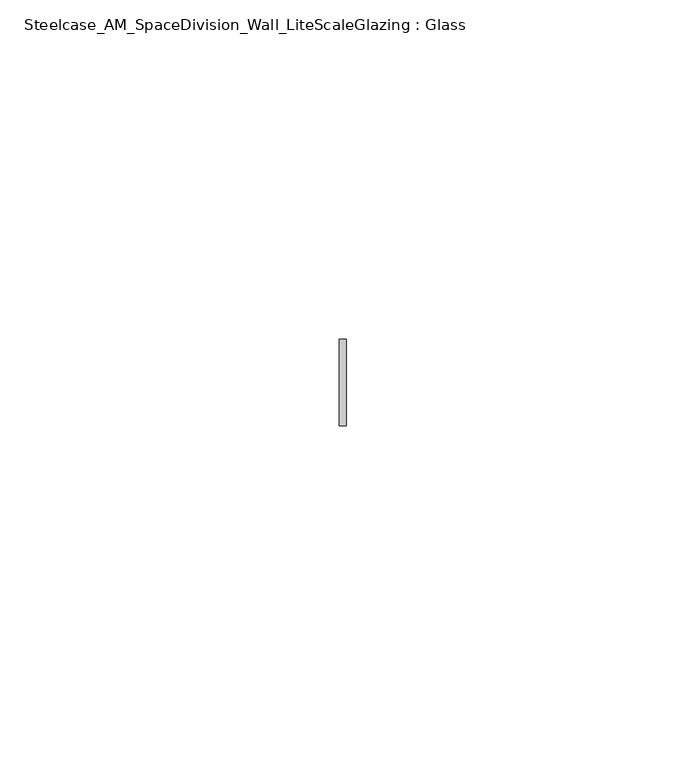
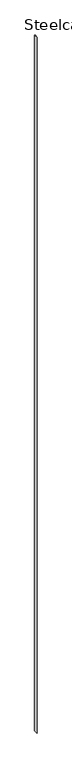
"""IFC4 building model written with IfcOpenShell, lengths in millimetres: plate geometry, Steelcase_AM_SpaceDivision_Wall_LiteScaleGlazing : Glass."""

import ifcopenshell
import ifcopenshell.guid

model = None  # the IFC model being written
_history = None  # IfcOwnerHistory: only IFC2X3 demands one
_inside = {}  # id of a spatial element -> (the spatial element, [elements in it])
_under = {}  # id of a project, library or spatial element -> (it, [spatial elements below it])
_declared = {}  # id of a project -> (the project, [libraries it declares])
_typed = {}  # id of a type object -> (the type object, [elements of that type])
_made_of = {}  # id of a material, layer set ... -> (it, [elements and type objects made of it])


def new_model(schema):
    """Start an empty IFC model of exactly this schema.

    Asked for "IFC4X3", IfcOpenShell would pick the latest addendum, in which some entities
    have other attributes; the version numbers below select the first issue.
    IFC2X3 requires an IfcOwnerHistory on every rooted entity: one is made here for all.
    """
    global model, _history
    if schema == "IFC4X3":
        model = ifcopenshell.file(schema_version=(4, 3, 0, 0))
    else:
        model = ifcopenshell.file(schema=schema)
    _inside.clear()
    _under.clear()
    _declared.clear()
    _typed.clear()
    _made_of.clear()
    _history = None
    if model.schema == "IFC2X3":
        org = make("IfcOrganization", Name="unknown")
        user = make(
            "IfcPersonAndOrganization",
            ThePerson=make("IfcPerson", FamilyName="unknown"),
            TheOrganization=org,
        )
        app = make(
            "IfcApplication",
            ApplicationDeveloper=org,
            Version="unknown",
            ApplicationFullName="unknown",
            ApplicationIdentifier="unknown",
        )
        _history = make(
            "IfcOwnerHistory",
            OwningUser=user,
            OwningApplication=app,
            ChangeAction="ADDED",
            CreationDate=0,
        )
    return model


def make(cls, **values):
    """One entity of the class cls with the attributes given. An attribute that is None is left unset."""
    return model.create_entity(
        cls, **{name: value for name, value in values.items() if value is not None}
    )


def rooted(cls, **values):
    """An entity with a GlobalId (a new one), such as an element, a storey or a relation."""
    return make(cls, GlobalId=ifcopenshell.guid.new(), OwnerHistory=_history, **values)


def si_unit(unit_type, name, prefix=None):
    """IfcSIUnit, for example si_unit("LENGTHUNIT", "METRE", prefix="MILLI")."""
    return make("IfcSIUnit", UnitType=unit_type, Prefix=prefix, Name=name)


def assignment(units):
    """IfcUnitAssignment: the units of a project."""
    return None if units is None else make("IfcUnitAssignment", Units=units)


def point(xyz):
    """IfcCartesianPoint."""
    return None if xyz is None else make("IfcCartesianPoint", Coordinates=xyz)


def direction(xyz):
    """IfcDirection."""
    return None if xyz is None else make("IfcDirection", DirectionRatios=xyz)


def frame(location, z_axis=None, x_axis=None):
    """IfcAxis2Placement3D, a coordinate frame: its origin and axes. An axis left out is left unset."""
    return make(
        "IfcAxis2Placement3D",
        Location=point(location),
        Axis=direction(z_axis),
        RefDirection=direction(x_axis),
    )


def origin():
    """The frame at (0, 0, 0) with its axes left unset."""
    return frame((0.0, 0.0, 0.0))


def origin_with_axes():
    """The frame at (0, 0, 0) with the z axis (0, 0, 1) and the x axis (1, 0, 0) written out."""
    return frame((0.0, 0.0, 0.0), z_axis=(0.0, 0.0, 1.0), x_axis=(1.0, 0.0, 0.0))


def place(relative_to, where):
    """IfcLocalPlacement: puts the frame where relative to a parent placement (None: the world)."""
    return make(
        "IfcLocalPlacement", PlacementRelTo=relative_to, RelativePlacement=where
    )


def context(
    kind, dimensions, precision=None, world=None, true_north=None, identifier=None
):
    """IfcGeometricRepresentationContext, for example the 3D "Model" context."""
    return make(
        "IfcGeometricRepresentationContext",
        ContextIdentifier=identifier,
        ContextType=kind,
        CoordinateSpaceDimension=dimensions,
        Precision=precision,
        WorldCoordinateSystem=world,
        TrueNorth=true_north,
    )


def project(units=None, contexts=None):
    """IfcProject with its units and contexts."""
    return rooted(
        "IfcProject",
        Name="project",
        RepresentationContexts=contexts,
        UnitsInContext=assignment(units),
    )


def spatial(cls, under=None, at=None, **own):
    """A site, building, storey or space (cls), placed at a placement, below another one or the project."""
    s = rooted(cls, ObjectPlacement=at, **own)
    if under is not None:
        _under.setdefault(under.id(), (under, []))[1].append(s)
    return s


def polyline(points):
    """IfcPolyline through the points."""
    return make("IfcPolyline", Points=[point(p) for p in points])


def outline(outer, holes=None, kind="AREA"):
    """IfcArbitraryClosedProfileDef: a profile drawn as a closed curve; with holes, ...WithVoids."""
    if holes is None:
        return make("IfcArbitraryClosedProfileDef", ProfileType=kind, OuterCurve=outer)
    return make(
        "IfcArbitraryProfileDefWithVoids",
        ProfileType=kind,
        OuterCurve=outer,
        InnerCurves=holes,
    )


def extrude(swept, where, along, depth):
    """IfcExtrudedAreaSolid: the profile swept, set in the frame where, extruded along a direction by depth."""
    return make(
        "IfcExtrudedAreaSolid",
        SweptArea=swept,
        Position=where,
        ExtrudedDirection=direction(along),
        Depth=depth,
    )


def shape(context_of_items, identifier, shape_type, items):
    """IfcShapeRepresentation: the items that make up one representation, for example the "Body"."""
    return make(
        "IfcShapeRepresentation",
        ContextOfItems=context_of_items,
        RepresentationIdentifier=identifier,
        RepresentationType=shape_type,
        Items=items,
    )


def source(mapping_origin, context_of_items, identifier, shape_type, items):
    """IfcRepresentationMap: a shape defined once, which mapped items show again and again."""
    return make(
        "IfcRepresentationMap",
        MappingOrigin=mapping_origin,
        MappedRepresentation=shape(context_of_items, identifier, shape_type, items),
    )


def transform(
    local_origin,
    x_axis=None,
    y_axis=None,
    z_axis=None,
    scale=None,
    scale2=None,
    scale3=None,
    uniform=True,
):
    """IfcCartesianTransformationOperator3D, or its non-uniform kind. x_axis, y_axis, z_axis: its Axis1, 2, 3."""
    if uniform:
        return make(
            "IfcCartesianTransformationOperator3D",
            Axis1=direction(x_axis),
            Axis2=direction(y_axis),
            LocalOrigin=point(local_origin),
            Scale=scale,
            Axis3=direction(z_axis),
        )
    return make(
        "IfcCartesianTransformationOperator3DnonUniform",
        Axis1=direction(x_axis),
        Axis2=direction(y_axis),
        LocalOrigin=point(local_origin),
        Scale=scale,
        Axis3=direction(z_axis),
        Scale2=scale2,
        Scale3=scale3,
    )


def mapped(mapping_source, mapping_target):
    """IfcMappedItem: shows the shape of a source again, moved by a transform."""
    return make(
        "IfcMappedItem", MappingSource=mapping_source, MappingTarget=mapping_target
    )


def made_of(thing, what):
    """Note that an element or type object is made of a material, layer set ...; save() writes the relation."""
    if what is not None:
        _made_of.setdefault(what.id(), (what, []))[1].append(thing)
    return thing


def element(
    cls,
    number,
    at=None,
    inside=None,
    cuts=None,
    type_object=None,
    material=None,
    context=None,
    identifier="Body",
    shape_type=None,
    held_by="IfcProductDefinitionShape",
    body=None,
    shapes=None,
    **own,
):
    """One element of the class cls, such as IfcWall. Its Tag is "e" and its number.

    at: its placement. inside: the storey or other place that contains it. cuts: it is an
    opening in that element (IfcRelVoidsElement). A single representation is given by context,
    identifier, shape_type and body (its items); several are given by shapes. held_by: the class
    of the entity that holds the representations. save() writes the other relations.
    """
    e = rooted(cls, Tag="e%d" % number, ObjectPlacement=at, **own)
    if body is not None:
        shapes = [shape(context, identifier, shape_type, body)]
    if shapes is not None:
        e.Representation = make(held_by, Representations=shapes)
    if inside is not None:
        _inside.setdefault(inside.id(), (inside, []))[1].append(e)
    if cuts is not None:
        rooted(
            "IfcRelVoidsElement", RelatingBuildingElement=cuts, RelatedOpeningElement=e
        )
    if type_object is not None:
        _typed.setdefault(type_object.id(), (type_object, []))[1].append(e)
    return made_of(e, material)


def aggregate(whole, parts):
    """IfcRelAggregates: a whole, such as a stair, and the parts it consists of."""
    return rooted("IfcRelAggregates", RelatingObject=whole, RelatedObjects=parts)


def save(model, path):
    """Write the relations noted so far, then the file.

    IfcRelAggregates (storeys below a building ...), IfcRelContainedInSpatialStructure (elements
    in a storey), IfcRelDefinesByType, IfcRelAssociatesMaterial and IfcRelDeclares: one each for
    every whole, place, type object, material and project.
    """
    for whole, parts in _under.values():
        aggregate(whole, parts)
    for where, things in _inside.values():
        rooted(
            "IfcRelContainedInSpatialStructure",
            RelatedElements=things,
            RelatingStructure=where,
        )
    for kind, things in _typed.values():
        rooted("IfcRelDefinesByType", RelatedObjects=things, RelatingType=kind)
    for what, things in _made_of.values():
        rooted("IfcRelAssociatesMaterial", RelatedObjects=things, RelatingMaterial=what)
    for by, libraries in _declared.values():
        rooted("IfcRelDeclares", RelatingContext=by, RelatedDefinitions=libraries)
    model.write(path)


def steelcase_am_spacedivision_wall_litescaleglazing_glass_d5abc5b5(model_context):
    return source(origin(), model_context, "Body", "SweptSolid", [
        extrude(outline(polyline([(-0.508, 6.349956), (0.508, 6.349956), (0.508, -6.3502015), (-0.508, -6.3502015), (-0.508, 6.349956)])), origin_with_axes(), (0.0, 0.0, 1.0), 2452.624),
    ])


if __name__ == "__main__":
    model = new_model("IFC4")
    model_context = context("Model", 3, world=origin())
    ifc_project = project(units=[si_unit("LENGTHUNIT", "METRE", prefix="MILLI")], contexts=[model_context])
    site = spatial("IfcSite", under=ifc_project)
    building = spatial("IfcBuilding", under=site)
    placement = place(None, origin())
    steelcase_am_spacedivision_wall_litescaleglazing_glass_shape = steelcase_am_spacedivision_wall_litescaleglazing_glass_d5abc5b5(model_context)
    element("IfcPlate", 1, ObjectType="Steelcase_AM_SpaceDivision_Wall_LiteScaleGlazing : Glass", at=placement, inside=building, context=model_context, shape_type="MappedRepresentation", body=[
        mapped(steelcase_am_spacedivision_wall_litescaleglazing_glass_shape, transform((0.0, 0.0, 0.0), x_axis=(1.0, 0.0, 0.0), y_axis=(0.0, 1.0, 0.0), z_axis=(0.0, 0.0, 1.0))),
    ])
    save(model, "model.ifc")
